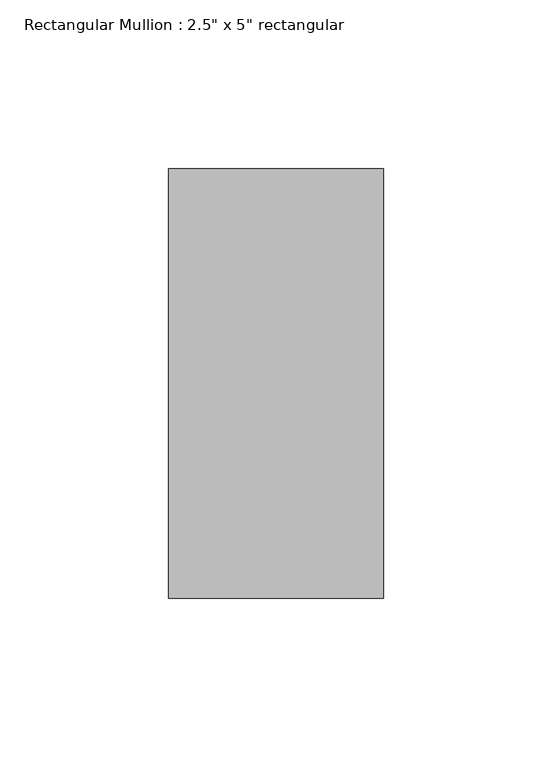
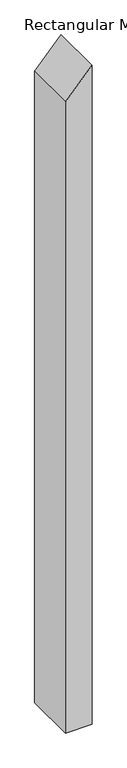
"""IFC4 building model written with IfcOpenShell, lengths in millimetres: member geometry."""

import ifcopenshell
import ifcopenshell.guid

model = None  # the IFC model being written
_history = None  # IfcOwnerHistory: only IFC2X3 demands one
_inside = {}  # id of a spatial element -> (the spatial element, [elements in it])
_under = {}  # id of a project, library or spatial element -> (it, [spatial elements below it])
_declared = {}  # id of a project -> (the project, [libraries it declares])
_typed = {}  # id of a type object -> (the type object, [elements of that type])
_made_of = {}  # id of a material, layer set ... -> (it, [elements and type objects made of it])


def new_model(schema):
    """Start an empty IFC model of exactly this schema.

    Asked for "IFC4X3", IfcOpenShell would pick the latest addendum, in which some entities
    have other attributes; the version numbers below select the first issue.
    IFC2X3 requires an IfcOwnerHistory on every rooted entity: one is made here for all.
    """
    global model, _history
    if schema == "IFC4X3":
        model = ifcopenshell.file(schema_version=(4, 3, 0, 0))
    else:
        model = ifcopenshell.file(schema=schema)
    _inside.clear()
    _under.clear()
    _declared.clear()
    _typed.clear()
    _made_of.clear()
    _history = None
    if model.schema == "IFC2X3":
        org = make("IfcOrganization", Name="unknown")
        user = make(
            "IfcPersonAndOrganization",
            ThePerson=make("IfcPerson", FamilyName="unknown"),
            TheOrganization=org,
        )
        app = make(
            "IfcApplication",
            ApplicationDeveloper=org,
            Version="unknown",
            ApplicationFullName="unknown",
            ApplicationIdentifier="unknown",
        )
        _history = make(
            "IfcOwnerHistory",
            OwningUser=user,
            OwningApplication=app,
            ChangeAction="ADDED",
            CreationDate=0,
        )
    return model


def make(cls, **values):
    """One entity of the class cls with the attributes given. An attribute that is None is left unset."""
    return model.create_entity(
        cls, **{name: value for name, value in values.items() if value is not None}
    )


def rooted(cls, **values):
    """An entity with a GlobalId (a new one), such as an element, a storey or a relation."""
    return make(cls, GlobalId=ifcopenshell.guid.new(), OwnerHistory=_history, **values)


def si_unit(unit_type, name, prefix=None):
    """IfcSIUnit, for example si_unit("LENGTHUNIT", "METRE", prefix="MILLI")."""
    return make("IfcSIUnit", UnitType=unit_type, Prefix=prefix, Name=name)


def assignment(units):
    """IfcUnitAssignment: the units of a project."""
    return None if units is None else make("IfcUnitAssignment", Units=units)


def point(xyz):
    """IfcCartesianPoint."""
    return None if xyz is None else make("IfcCartesianPoint", Coordinates=xyz)


def direction(xyz):
    """IfcDirection."""
    return None if xyz is None else make("IfcDirection", DirectionRatios=xyz)


def frame(location, z_axis=None, x_axis=None):
    """IfcAxis2Placement3D, a coordinate frame: its origin and axes. An axis left out is left unset."""
    return make(
        "IfcAxis2Placement3D",
        Location=point(location),
        Axis=direction(z_axis),
        RefDirection=direction(x_axis),
    )


def origin():
    """The frame at (0, 0, 0) with its axes left unset."""
    return frame((0.0, 0.0, 0.0))


def place(relative_to, where):
    """IfcLocalPlacement: puts the frame where relative to a parent placement (None: the world)."""
    return make(
        "IfcLocalPlacement", PlacementRelTo=relative_to, RelativePlacement=where
    )


def context(
    kind, dimensions, precision=None, world=None, true_north=None, identifier=None
):
    """IfcGeometricRepresentationContext, for example the 3D "Model" context."""
    return make(
        "IfcGeometricRepresentationContext",
        ContextIdentifier=identifier,
        ContextType=kind,
        CoordinateSpaceDimension=dimensions,
        Precision=precision,
        WorldCoordinateSystem=world,
        TrueNorth=true_north,
    )


def project(units=None, contexts=None):
    """IfcProject with its units and contexts."""
    return rooted(
        "IfcProject",
        Name="project",
        RepresentationContexts=contexts,
        UnitsInContext=assignment(units),
    )


def spatial(cls, under=None, at=None, **own):
    """A site, building, storey or space (cls), placed at a placement, below another one or the project."""
    s = rooted(cls, ObjectPlacement=at, **own)
    if under is not None:
        _under.setdefault(under.id(), (under, []))[1].append(s)
    return s


def polyline(points):
    """IfcPolyline through the points."""
    return make("IfcPolyline", Points=[point(p) for p in points])


def outline(outer, holes=None, kind="AREA"):
    """IfcArbitraryClosedProfileDef: a profile drawn as a closed curve; with holes, ...WithVoids."""
    if holes is None:
        return make("IfcArbitraryClosedProfileDef", ProfileType=kind, OuterCurve=outer)
    return make(
        "IfcArbitraryProfileDefWithVoids",
        ProfileType=kind,
        OuterCurve=outer,
        InnerCurves=holes,
    )


def extrude(swept, where, along, depth):
    """IfcExtrudedAreaSolid: the profile swept, set in the frame where, extruded along a direction by depth."""
    return make(
        "IfcExtrudedAreaSolid",
        SweptArea=swept,
        Position=where,
        ExtrudedDirection=direction(along),
        Depth=depth,
    )


def shape(context_of_items, identifier, shape_type, items):
    """IfcShapeRepresentation: the items that make up one representation, for example the "Body"."""
    return make(
        "IfcShapeRepresentation",
        ContextOfItems=context_of_items,
        RepresentationIdentifier=identifier,
        RepresentationType=shape_type,
        Items=items,
    )


def source(mapping_origin, context_of_items, identifier, shape_type, items):
    """IfcRepresentationMap: a shape defined once, which mapped items show again and again."""
    return make(
        "IfcRepresentationMap",
        MappingOrigin=mapping_origin,
        MappedRepresentation=shape(context_of_items, identifier, shape_type, items),
    )


def transform(
    local_origin,
    x_axis=None,
    y_axis=None,
    z_axis=None,
    scale=None,
    scale2=None,
    scale3=None,
    uniform=True,
):
    """IfcCartesianTransformationOperator3D, or its non-uniform kind. x_axis, y_axis, z_axis: its Axis1, 2, 3."""
    if uniform:
        return make(
            "IfcCartesianTransformationOperator3D",
            Axis1=direction(x_axis),
            Axis2=direction(y_axis),
            LocalOrigin=point(local_origin),
            Scale=scale,
            Axis3=direction(z_axis),
        )
    return make(
        "IfcCartesianTransformationOperator3DnonUniform",
        Axis1=direction(x_axis),
        Axis2=direction(y_axis),
        LocalOrigin=point(local_origin),
        Scale=scale,
        Axis3=direction(z_axis),
        Scale2=scale2,
        Scale3=scale3,
    )


def mapped(mapping_source, mapping_target):
    """IfcMappedItem: shows the shape of a source again, moved by a transform."""
    return make(
        "IfcMappedItem", MappingSource=mapping_source, MappingTarget=mapping_target
    )


def made_of(thing, what):
    """Note that an element or type object is made of a material, layer set ...; save() writes the relation."""
    if what is not None:
        _made_of.setdefault(what.id(), (what, []))[1].append(thing)
    return thing


def element(
    cls,
    number,
    at=None,
    inside=None,
    cuts=None,
    type_object=None,
    material=None,
    context=None,
    identifier="Body",
    shape_type=None,
    held_by="IfcProductDefinitionShape",
    body=None,
    shapes=None,
    **own,
):
    """One element of the class cls, such as IfcWall. Its Tag is "e" and its number.

    at: its placement. inside: the storey or other place that contains it. cuts: it is an
    opening in that element (IfcRelVoidsElement). A single representation is given by context,
    identifier, shape_type and body (its items); several are given by shapes. held_by: the class
    of the entity that holds the representations. save() writes the other relations.
    """
    e = rooted(cls, Tag="e%d" % number, ObjectPlacement=at, **own)
    if body is not None:
        shapes = [shape(context, identifier, shape_type, body)]
    if shapes is not None:
        e.Representation = make(held_by, Representations=shapes)
    if inside is not None:
        _inside.setdefault(inside.id(), (inside, []))[1].append(e)
    if cuts is not None:
        rooted(
            "IfcRelVoidsElement", RelatingBuildingElement=cuts, RelatedOpeningElement=e
        )
    if type_object is not None:
        _typed.setdefault(type_object.id(), (type_object, []))[1].append(e)
    return made_of(e, material)


def aggregate(whole, parts):
    """IfcRelAggregates: a whole, such as a stair, and the parts it consists of."""
    return rooted("IfcRelAggregates", RelatingObject=whole, RelatedObjects=parts)


def save(model, path):
    """Write the relations noted so far, then the file.

    IfcRelAggregates (storeys below a building ...), IfcRelContainedInSpatialStructure (elements
    in a storey), IfcRelDefinesByType, IfcRelAssociatesMaterial and IfcRelDeclares: one each for
    every whole, place, type object, material and project.
    """
    for whole, parts in _under.values():
        aggregate(whole, parts)
    for where, things in _inside.values():
        rooted(
            "IfcRelContainedInSpatialStructure",
            RelatedElements=things,
            RelatingStructure=where,
        )
    for kind, things in _typed.values():
        rooted("IfcRelDefinesByType", RelatedObjects=things, RelatingType=kind)
    for what, things in _made_of.values():
        rooted("IfcRelAssociatesMaterial", RelatedObjects=things, RelatingMaterial=what)
    for by, libraries in _declared.values():
        rooted("IfcRelDeclares", RelatingContext=by, RelatedDefinitions=libraries)
    model.write(path)


def member_fffef488(model_context):
    return source(origin(), model_context, "Body", "SweptSolid", [
        extrude(outline(polyline([(0.0, 0.0), (-70.125326, -63.5), (-1666.0035601, -63.5), (-1666.0035601, 0.0), (0.0, 0.0)])), frame((0.0, -63.5, 0.0), z_axis=(0.0, 1.0, 0.0), x_axis=(0.0, 0.0, 1.0)), (0.0, 0.0, 1.0), 127.0),
    ])


if __name__ == "__main__":
    model = new_model("IFC4")
    model_context = context("Model", 3, world=origin())
    ifc_project = project(units=[si_unit("LENGTHUNIT", "METRE", prefix="MILLI")], contexts=[model_context])
    site = spatial("IfcSite", under=ifc_project)
    building = spatial("IfcBuilding", under=site)
    placement = place(None, origin())
    member_shape = member_fffef488(model_context)
    element("IfcMember", 1, ObjectType="Rectangular Mullion : 2.5\" x 5\" rectangular", at=placement, inside=building, context=model_context, shape_type="MappedRepresentation", body=[
        mapped(member_shape, transform((0.0, 0.0, 0.0), x_axis=(1.0, 0.0, 0.0), y_axis=(0.0, 1.0, 0.0), z_axis=(0.0, 0.0, 1.0))),
    ])
    save(model, "model.ifc")
